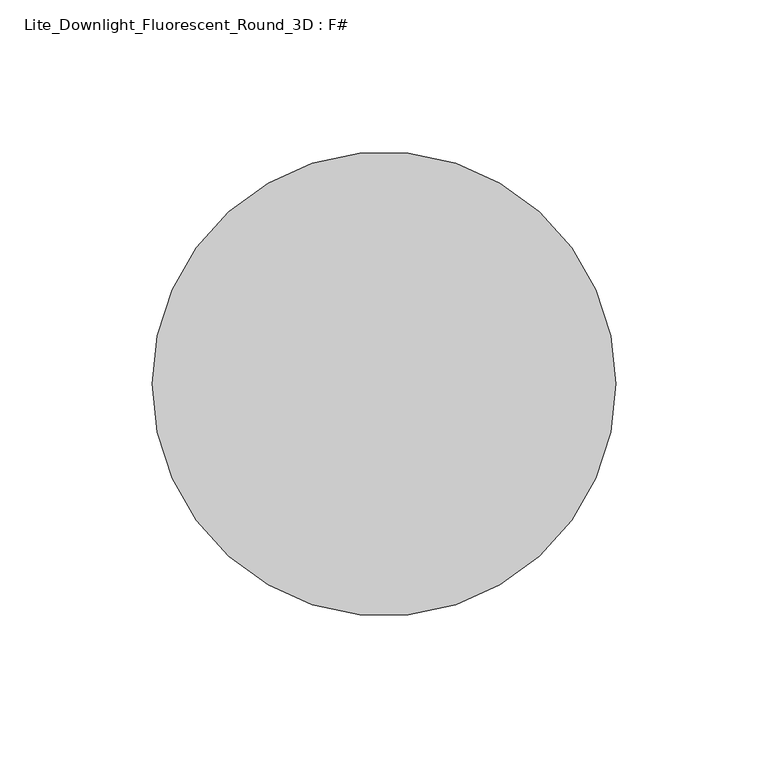
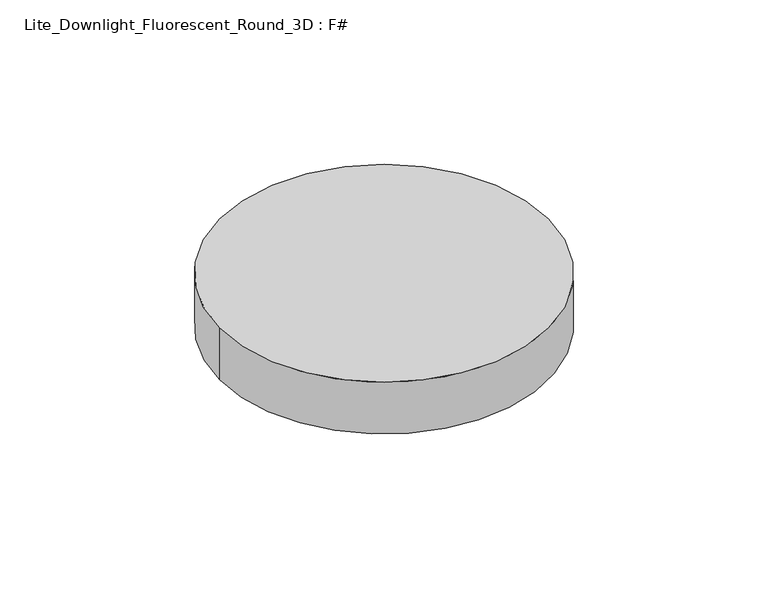
"""IFC4 building model written with IfcOpenShell, lengths in millimetres: light fixture geometry, Lite_Downlight_Fluorescent_Round_3D : F#."""

import ifcopenshell
import ifcopenshell.guid

model = None  # the IFC model being written
_history = None  # IfcOwnerHistory: only IFC2X3 demands one
_inside = {}  # id of a spatial element -> (the spatial element, [elements in it])
_under = {}  # id of a project, library or spatial element -> (it, [spatial elements below it])
_declared = {}  # id of a project -> (the project, [libraries it declares])
_typed = {}  # id of a type object -> (the type object, [elements of that type])
_made_of = {}  # id of a material, layer set ... -> (it, [elements and type objects made of it])


def new_model(schema):
    """Start an empty IFC model of exactly this schema.

    Asked for "IFC4X3", IfcOpenShell would pick the latest addendum, in which some entities
    have other attributes; the version numbers below select the first issue.
    IFC2X3 requires an IfcOwnerHistory on every rooted entity: one is made here for all.
    """
    global model, _history
    if schema == "IFC4X3":
        model = ifcopenshell.file(schema_version=(4, 3, 0, 0))
    else:
        model = ifcopenshell.file(schema=schema)
    _inside.clear()
    _under.clear()
    _declared.clear()
    _typed.clear()
    _made_of.clear()
    _history = None
    if model.schema == "IFC2X3":
        org = make("IfcOrganization", Name="unknown")
        user = make(
            "IfcPersonAndOrganization",
            ThePerson=make("IfcPerson", FamilyName="unknown"),
            TheOrganization=org,
        )
        app = make(
            "IfcApplication",
            ApplicationDeveloper=org,
            Version="unknown",
            ApplicationFullName="unknown",
            ApplicationIdentifier="unknown",
        )
        _history = make(
            "IfcOwnerHistory",
            OwningUser=user,
            OwningApplication=app,
            ChangeAction="ADDED",
            CreationDate=0,
        )
    return model


def make(cls, **values):
    """One entity of the class cls with the attributes given. An attribute that is None is left unset."""
    return model.create_entity(
        cls, **{name: value for name, value in values.items() if value is not None}
    )


def rooted(cls, **values):
    """An entity with a GlobalId (a new one), such as an element, a storey or a relation."""
    return make(cls, GlobalId=ifcopenshell.guid.new(), OwnerHistory=_history, **values)


def si_unit(unit_type, name, prefix=None):
    """IfcSIUnit, for example si_unit("LENGTHUNIT", "METRE", prefix="MILLI")."""
    return make("IfcSIUnit", UnitType=unit_type, Prefix=prefix, Name=name)


def assignment(units):
    """IfcUnitAssignment: the units of a project."""
    return None if units is None else make("IfcUnitAssignment", Units=units)


def point(xyz):
    """IfcCartesianPoint."""
    return None if xyz is None else make("IfcCartesianPoint", Coordinates=xyz)


def direction(xyz):
    """IfcDirection."""
    return None if xyz is None else make("IfcDirection", DirectionRatios=xyz)


def frame(location, z_axis=None, x_axis=None):
    """IfcAxis2Placement3D, a coordinate frame: its origin and axes. An axis left out is left unset."""
    return make(
        "IfcAxis2Placement3D",
        Location=point(location),
        Axis=direction(z_axis),
        RefDirection=direction(x_axis),
    )


def frame_2d(location, x_axis=None):
    """IfcAxis2Placement2D, a coordinate frame in the plane: its origin and x axis."""
    return make(
        "IfcAxis2Placement2D", Location=point(location), RefDirection=direction(x_axis)
    )


def origin():
    """The frame at (0, 0, 0) with its axes left unset."""
    return frame((0.0, 0.0, 0.0))


def origin_with_axes():
    """The frame at (0, 0, 0) with the z axis (0, 0, 1) and the x axis (1, 0, 0) written out."""
    return frame((0.0, 0.0, 0.0), z_axis=(0.0, 0.0, 1.0), x_axis=(1.0, 0.0, 0.0))


def origin_2d():
    """The frame at (0, 0) in the plane with its x axis left unset."""
    return frame_2d((0.0, 0.0))


def place(relative_to, where):
    """IfcLocalPlacement: puts the frame where relative to a parent placement (None: the world)."""
    return make(
        "IfcLocalPlacement", PlacementRelTo=relative_to, RelativePlacement=where
    )


def context(
    kind, dimensions, precision=None, world=None, true_north=None, identifier=None
):
    """IfcGeometricRepresentationContext, for example the 3D "Model" context."""
    return make(
        "IfcGeometricRepresentationContext",
        ContextIdentifier=identifier,
        ContextType=kind,
        CoordinateSpaceDimension=dimensions,
        Precision=precision,
        WorldCoordinateSystem=world,
        TrueNorth=true_north,
    )


def project(units=None, contexts=None):
    """IfcProject with its units and contexts."""
    return rooted(
        "IfcProject",
        Name="project",
        RepresentationContexts=contexts,
        UnitsInContext=assignment(units),
    )


def spatial(cls, under=None, at=None, **own):
    """A site, building, storey or space (cls), placed at a placement, below another one or the project."""
    s = rooted(cls, ObjectPlacement=at, **own)
    if under is not None:
        _under.setdefault(under.id(), (under, []))[1].append(s)
    return s


def circle_curve(where, radius):
    """IfcCircle in the frame where."""
    return make("IfcCircle", Position=where, Radius=radius)


def trimmed(basis, trim1, trim2, sense, master):
    """IfcTrimmedCurve: the piece of a basis curve between two trims."""
    return make(
        "IfcTrimmedCurve",
        BasisCurve=basis,
        Trim1=trim1,
        Trim2=trim2,
        SenseAgreement=sense,
        MasterRepresentation=master,
    )


def segment(curve, same_sense, transition):
    """IfcCompositeCurveSegment."""
    return make(
        "IfcCompositeCurveSegment",
        Transition=transition,
        SameSense=same_sense,
        ParentCurve=curve,
    )


def composite_curve(segments, self_intersect=None):
    """IfcCompositeCurve: segments joined end to end."""
    return make("IfcCompositeCurve", Segments=segments, SelfIntersect=self_intersect)


def outline(outer, holes=None, kind="AREA"):
    """IfcArbitraryClosedProfileDef: a profile drawn as a closed curve; with holes, ...WithVoids."""
    if holes is None:
        return make("IfcArbitraryClosedProfileDef", ProfileType=kind, OuterCurve=outer)
    return make(
        "IfcArbitraryProfileDefWithVoids",
        ProfileType=kind,
        OuterCurve=outer,
        InnerCurves=holes,
    )


def extrude(swept, where, along, depth):
    """IfcExtrudedAreaSolid: the profile swept, set in the frame where, extruded along a direction by depth."""
    return make(
        "IfcExtrudedAreaSolid",
        SweptArea=swept,
        Position=where,
        ExtrudedDirection=direction(along),
        Depth=depth,
    )


def shape(context_of_items, identifier, shape_type, items):
    """IfcShapeRepresentation: the items that make up one representation, for example the "Body"."""
    return make(
        "IfcShapeRepresentation",
        ContextOfItems=context_of_items,
        RepresentationIdentifier=identifier,
        RepresentationType=shape_type,
        Items=items,
    )


def source(mapping_origin, context_of_items, identifier, shape_type, items):
    """IfcRepresentationMap: a shape defined once, which mapped items show again and again."""
    return make(
        "IfcRepresentationMap",
        MappingOrigin=mapping_origin,
        MappedRepresentation=shape(context_of_items, identifier, shape_type, items),
    )


def transform(
    local_origin,
    x_axis=None,
    y_axis=None,
    z_axis=None,
    scale=None,
    scale2=None,
    scale3=None,
    uniform=True,
):
    """IfcCartesianTransformationOperator3D, or its non-uniform kind. x_axis, y_axis, z_axis: its Axis1, 2, 3."""
    if uniform:
        return make(
            "IfcCartesianTransformationOperator3D",
            Axis1=direction(x_axis),
            Axis2=direction(y_axis),
            LocalOrigin=point(local_origin),
            Scale=scale,
            Axis3=direction(z_axis),
        )
    return make(
        "IfcCartesianTransformationOperator3DnonUniform",
        Axis1=direction(x_axis),
        Axis2=direction(y_axis),
        LocalOrigin=point(local_origin),
        Scale=scale,
        Axis3=direction(z_axis),
        Scale2=scale2,
        Scale3=scale3,
    )


def mapped(mapping_source, mapping_target):
    """IfcMappedItem: shows the shape of a source again, moved by a transform."""
    return make(
        "IfcMappedItem", MappingSource=mapping_source, MappingTarget=mapping_target
    )


def made_of(thing, what):
    """Note that an element or type object is made of a material, layer set ...; save() writes the relation."""
    if what is not None:
        _made_of.setdefault(what.id(), (what, []))[1].append(thing)
    return thing


def element(
    cls,
    number,
    at=None,
    inside=None,
    cuts=None,
    type_object=None,
    material=None,
    context=None,
    identifier="Body",
    shape_type=None,
    held_by="IfcProductDefinitionShape",
    body=None,
    shapes=None,
    **own,
):
    """One element of the class cls, such as IfcWall. Its Tag is "e" and its number.

    at: its placement. inside: the storey or other place that contains it. cuts: it is an
    opening in that element (IfcRelVoidsElement). A single representation is given by context,
    identifier, shape_type and body (its items); several are given by shapes. held_by: the class
    of the entity that holds the representations. save() writes the other relations.
    """
    e = rooted(cls, Tag="e%d" % number, ObjectPlacement=at, **own)
    if body is not None:
        shapes = [shape(context, identifier, shape_type, body)]
    if shapes is not None:
        e.Representation = make(held_by, Representations=shapes)
    if inside is not None:
        _inside.setdefault(inside.id(), (inside, []))[1].append(e)
    if cuts is not None:
        rooted(
            "IfcRelVoidsElement", RelatingBuildingElement=cuts, RelatedOpeningElement=e
        )
    if type_object is not None:
        _typed.setdefault(type_object.id(), (type_object, []))[1].append(e)
    return made_of(e, material)


def aggregate(whole, parts):
    """IfcRelAggregates: a whole, such as a stair, and the parts it consists of."""
    return rooted("IfcRelAggregates", RelatingObject=whole, RelatedObjects=parts)


def save(model, path):
    """Write the relations noted so far, then the file.

    IfcRelAggregates (storeys below a building ...), IfcRelContainedInSpatialStructure (elements
    in a storey), IfcRelDefinesByType, IfcRelAssociatesMaterial and IfcRelDeclares: one each for
    every whole, place, type object, material and project.
    """
    for whole, parts in _under.values():
        aggregate(whole, parts)
    for where, things in _inside.values():
        rooted(
            "IfcRelContainedInSpatialStructure",
            RelatedElements=things,
            RelatingStructure=where,
        )
    for kind, things in _typed.values():
        rooted("IfcRelDefinesByType", RelatedObjects=things, RelatingType=kind)
    for what, things in _made_of.values():
        rooted("IfcRelAssociatesMaterial", RelatedObjects=things, RelatingMaterial=what)
    for by, libraries in _declared.values():
        rooted("IfcRelDeclares", RelatingContext=by, RelatedDefinitions=libraries)
    model.write(path)


def lite_downlight_fluorescent_round_3d_f_733a153e(model_context):
    return source(origin(), model_context, "Body", "SweptSolid", [
        extrude(outline(composite_curve([segment(trimmed(circle_curve(origin_2d(), 76.2), [point((-76.2, 0.0))], [point((76.2, 0.0))], False, "CARTESIAN"), True, "CONTINUOUS"), segment(trimmed(circle_curve(origin_2d(), 76.2), [point((76.2, 0.0))], [point((-76.2, 0.0))], False, "CARTESIAN"), True, "CONTINUOUS")], self_intersect=False)), origin_with_axes(), (0.0, 0.0, 1.0), 25.4),
    ])


if __name__ == "__main__":
    model = new_model("IFC4")
    model_context = context("Model", 3, world=origin())
    ifc_project = project(units=[si_unit("LENGTHUNIT", "METRE", prefix="MILLI")], contexts=[model_context])
    site = spatial("IfcSite", under=ifc_project)
    building = spatial("IfcBuilding", under=site)
    placement = place(None, origin())
    lite_downlight_fluorescent_round_3d_f_shape = lite_downlight_fluorescent_round_3d_f_733a153e(model_context)
    element("IfcLightFixture", 1, ObjectType="Lite_Downlight_Fluorescent_Round_3D : F#", at=placement, inside=building, context=model_context, shape_type="MappedRepresentation", body=[
        mapped(lite_downlight_fluorescent_round_3d_f_shape, transform((0.0, 0.0, 0.0), x_axis=(1.0, 0.0, 0.0), y_axis=(0.0, 1.0, 0.0), z_axis=(0.0, 0.0, 1.0))),
    ])
    save(model, "model.ifc")
